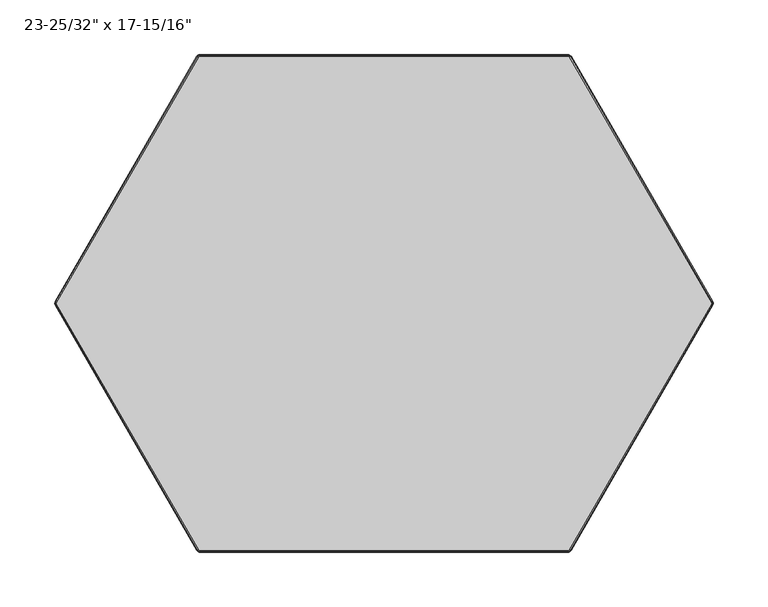
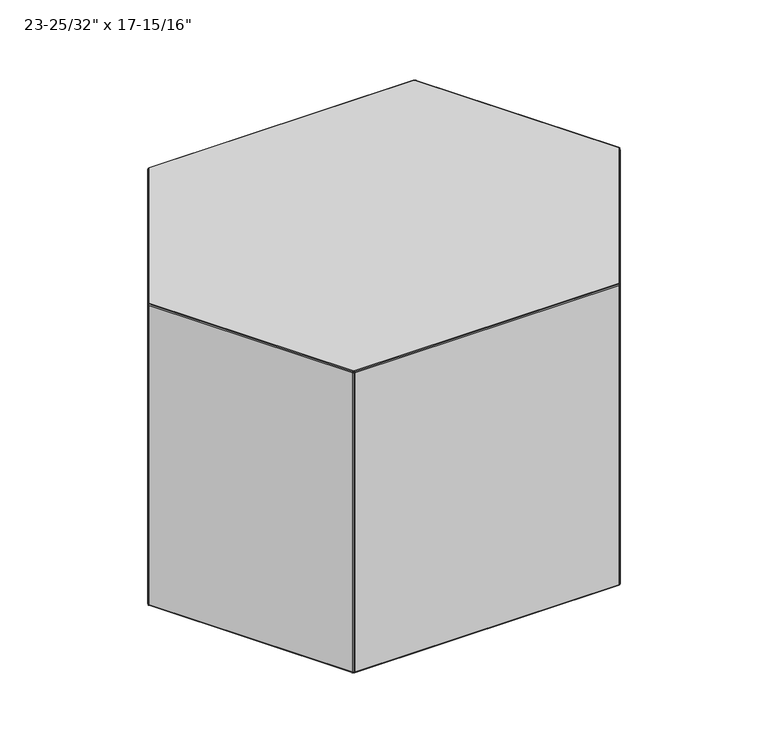
"""IFC4 building model written with IfcOpenShell, lengths in millimetres: furniture geometry."""

import ifcopenshell
import ifcopenshell.guid

model = None  # the IFC model being written
_history = None  # IfcOwnerHistory: only IFC2X3 demands one
_inside = {}  # id of a spatial element -> (the spatial element, [elements in it])
_under = {}  # id of a project, library or spatial element -> (it, [spatial elements below it])
_declared = {}  # id of a project -> (the project, [libraries it declares])
_typed = {}  # id of a type object -> (the type object, [elements of that type])
_made_of = {}  # id of a material, layer set ... -> (it, [elements and type objects made of it])


def new_model(schema):
    """Start an empty IFC model of exactly this schema.

    Asked for "IFC4X3", IfcOpenShell would pick the latest addendum, in which some entities
    have other attributes; the version numbers below select the first issue.
    IFC2X3 requires an IfcOwnerHistory on every rooted entity: one is made here for all.
    """
    global model, _history
    if schema == "IFC4X3":
        model = ifcopenshell.file(schema_version=(4, 3, 0, 0))
    else:
        model = ifcopenshell.file(schema=schema)
    _inside.clear()
    _under.clear()
    _declared.clear()
    _typed.clear()
    _made_of.clear()
    _history = None
    if model.schema == "IFC2X3":
        org = make("IfcOrganization", Name="unknown")
        user = make(
            "IfcPersonAndOrganization",
            ThePerson=make("IfcPerson", FamilyName="unknown"),
            TheOrganization=org,
        )
        app = make(
            "IfcApplication",
            ApplicationDeveloper=org,
            Version="unknown",
            ApplicationFullName="unknown",
            ApplicationIdentifier="unknown",
        )
        _history = make(
            "IfcOwnerHistory",
            OwningUser=user,
            OwningApplication=app,
            ChangeAction="ADDED",
            CreationDate=0,
        )
    return model


def make(cls, **values):
    """One entity of the class cls with the attributes given. An attribute that is None is left unset."""
    return model.create_entity(
        cls, **{name: value for name, value in values.items() if value is not None}
    )


def rooted(cls, **values):
    """An entity with a GlobalId (a new one), such as an element, a storey or a relation."""
    return make(cls, GlobalId=ifcopenshell.guid.new(), OwnerHistory=_history, **values)


def si_unit(unit_type, name, prefix=None):
    """IfcSIUnit, for example si_unit("LENGTHUNIT", "METRE", prefix="MILLI")."""
    return make("IfcSIUnit", UnitType=unit_type, Prefix=prefix, Name=name)


def assignment(units):
    """IfcUnitAssignment: the units of a project."""
    return None if units is None else make("IfcUnitAssignment", Units=units)


def point(xyz):
    """IfcCartesianPoint."""
    return None if xyz is None else make("IfcCartesianPoint", Coordinates=xyz)


def direction(xyz):
    """IfcDirection."""
    return None if xyz is None else make("IfcDirection", DirectionRatios=xyz)


def frame(location, z_axis=None, x_axis=None):
    """IfcAxis2Placement3D, a coordinate frame: its origin and axes. An axis left out is left unset."""
    return make(
        "IfcAxis2Placement3D",
        Location=point(location),
        Axis=direction(z_axis),
        RefDirection=direction(x_axis),
    )


def origin():
    """The frame at (0, 0, 0) with its axes left unset."""
    return frame((0.0, 0.0, 0.0))


def place(relative_to, where):
    """IfcLocalPlacement: puts the frame where relative to a parent placement (None: the world)."""
    return make(
        "IfcLocalPlacement", PlacementRelTo=relative_to, RelativePlacement=where
    )


def context(
    kind, dimensions, precision=None, world=None, true_north=None, identifier=None
):
    """IfcGeometricRepresentationContext, for example the 3D "Model" context."""
    return make(
        "IfcGeometricRepresentationContext",
        ContextIdentifier=identifier,
        ContextType=kind,
        CoordinateSpaceDimension=dimensions,
        Precision=precision,
        WorldCoordinateSystem=world,
        TrueNorth=true_north,
    )


def project(units=None, contexts=None):
    """IfcProject with its units and contexts."""
    return rooted(
        "IfcProject",
        Name="project",
        RepresentationContexts=contexts,
        UnitsInContext=assignment(units),
    )


def spatial(cls, under=None, at=None, **own):
    """A site, building, storey or space (cls), placed at a placement, below another one or the project."""
    s = rooted(cls, ObjectPlacement=at, **own)
    if under is not None:
        _under.setdefault(under.id(), (under, []))[1].append(s)
    return s


def point_list(points):
    """IfcCartesianPointList2D or 3D."""
    cls = (
        "IfcCartesianPointList2D" if len(points[0]) == 2 else "IfcCartesianPointList3D"
    )
    return make(cls, CoordList=points)


def triangles(points, corners, closed=None, point_numbers=None):
    """IfcTriangulatedFaceSet: each triangle names its three corners, points numbered from 1."""
    return make(
        "IfcTriangulatedFaceSet",
        Coordinates=point_list(points),
        Closed=closed,
        CoordIndex=corners,
        PnIndex=point_numbers,
    )


def shape(context_of_items, identifier, shape_type, items):
    """IfcShapeRepresentation: the items that make up one representation, for example the "Body"."""
    return make(
        "IfcShapeRepresentation",
        ContextOfItems=context_of_items,
        RepresentationIdentifier=identifier,
        RepresentationType=shape_type,
        Items=items,
    )


def source(mapping_origin, context_of_items, identifier, shape_type, items):
    """IfcRepresentationMap: a shape defined once, which mapped items show again and again."""
    return make(
        "IfcRepresentationMap",
        MappingOrigin=mapping_origin,
        MappedRepresentation=shape(context_of_items, identifier, shape_type, items),
    )


def transform(
    local_origin,
    x_axis=None,
    y_axis=None,
    z_axis=None,
    scale=None,
    scale2=None,
    scale3=None,
    uniform=True,
):
    """IfcCartesianTransformationOperator3D, or its non-uniform kind. x_axis, y_axis, z_axis: its Axis1, 2, 3."""
    if uniform:
        return make(
            "IfcCartesianTransformationOperator3D",
            Axis1=direction(x_axis),
            Axis2=direction(y_axis),
            LocalOrigin=point(local_origin),
            Scale=scale,
            Axis3=direction(z_axis),
        )
    return make(
        "IfcCartesianTransformationOperator3DnonUniform",
        Axis1=direction(x_axis),
        Axis2=direction(y_axis),
        LocalOrigin=point(local_origin),
        Scale=scale,
        Axis3=direction(z_axis),
        Scale2=scale2,
        Scale3=scale3,
    )


def mapped(mapping_source, mapping_target):
    """IfcMappedItem: shows the shape of a source again, moved by a transform."""
    return make(
        "IfcMappedItem", MappingSource=mapping_source, MappingTarget=mapping_target
    )


def made_of(thing, what):
    """Note that an element or type object is made of a material, layer set ...; save() writes the relation."""
    if what is not None:
        _made_of.setdefault(what.id(), (what, []))[1].append(thing)
    return thing


def element(
    cls,
    number,
    at=None,
    inside=None,
    cuts=None,
    type_object=None,
    material=None,
    context=None,
    identifier="Body",
    shape_type=None,
    held_by="IfcProductDefinitionShape",
    body=None,
    shapes=None,
    **own,
):
    """One element of the class cls, such as IfcWall. Its Tag is "e" and its number.

    at: its placement. inside: the storey or other place that contains it. cuts: it is an
    opening in that element (IfcRelVoidsElement). A single representation is given by context,
    identifier, shape_type and body (its items); several are given by shapes. held_by: the class
    of the entity that holds the representations. save() writes the other relations.
    """
    e = rooted(cls, Tag="e%d" % number, ObjectPlacement=at, **own)
    if body is not None:
        shapes = [shape(context, identifier, shape_type, body)]
    if shapes is not None:
        e.Representation = make(held_by, Representations=shapes)
    if inside is not None:
        _inside.setdefault(inside.id(), (inside, []))[1].append(e)
    if cuts is not None:
        rooted(
            "IfcRelVoidsElement", RelatingBuildingElement=cuts, RelatedOpeningElement=e
        )
    if type_object is not None:
        _typed.setdefault(type_object.id(), (type_object, []))[1].append(e)
    return made_of(e, material)


def aggregate(whole, parts):
    """IfcRelAggregates: a whole, such as a stair, and the parts it consists of."""
    return rooted("IfcRelAggregates", RelatingObject=whole, RelatedObjects=parts)


def save(model, path):
    """Write the relations noted so far, then the file.

    IfcRelAggregates (storeys below a building ...), IfcRelContainedInSpatialStructure (elements
    in a storey), IfcRelDefinesByType, IfcRelAssociatesMaterial and IfcRelDeclares: one each for
    every whole, place, type object, material and project.
    """
    for whole, parts in _under.values():
        aggregate(whole, parts)
    for where, things in _inside.values():
        rooted(
            "IfcRelContainedInSpatialStructure",
            RelatedElements=things,
            RelatingStructure=where,
        )
    for kind, things in _typed.values():
        rooted("IfcRelDefinesByType", RelatedObjects=things, RelatingType=kind)
    for what, things in _made_of.values():
        rooted("IfcRelAssociatesMaterial", RelatedObjects=things, RelatingMaterial=what)
    for by, libraries in _declared.values():
        rooted("IfcRelDeclares", RelatingContext=by, RelatedDefinitions=libraries)
    model.write(path)


def furniture_5cee78ca(model_context):
    return source(origin(), model_context, "Body", "Tessellation", [
        triangles([(300.7749005, 1.558774, 1.9070146), (170.9583149, 226.4078373, 1.9070146), (170.9583149, 226.4078373, 405.982196), (300.7749005, 1.558774, 405.982196), (168.2583162, 227.9666811, 1.9070145), (-168.8955048, 227.9667719, 1.9070146), (-168.8955048, 227.9667719, 405.982196), (168.2583162, 227.9666811, 405.982196), (-171.5955216, 226.4079281, 1.9070145), (-301.4121981, 1.5588948, 1.9070145), (-301.4121981, 1.5588948, 405.982196), (-171.5955216, 226.4079281, 405.982196), (-301.4121981, -1.5587967, 1.9070145), (-171.5955943, -226.4078373, 1.9070146), (-171.5955943, -226.4078373, 405.982196), (-301.4121981, -1.5587968, 405.982196), (-168.8955956, -227.9666811, 1.9070145), (168.258189, -227.9667719, 1.9070145), (168.258189, -227.9667719, 405.982196), (-168.8955956, -227.9666811, 405.982196), (170.9581877, -226.4079281, 1.9070146), (300.7749005, -1.5589175, 1.9070146), (300.7749005, -1.5589175, 405.982196), (170.9581877, -226.4079281, 405.982196), (169.0189529, -226.1667728, 0.0), (-169.6563595, -226.166682, 0.0), (-300.2337453, 4.87e-05, 0.0), (-169.6562686, 226.1667728, 0.0), (169.0190801, 226.166682, 0.0), (299.5964659, -7.14e-05, 0.0), (299.5964659, -7.14e-05, 407.8892017), (169.0190801, 226.166682, 407.8892017), (-169.6562686, 226.1667728, 407.8892017), (-300.2337453, 4.88e-05, 407.8892017), (-169.6563595, -226.166682, 407.8892017), (169.0189529, -226.1667728, 407.8892017), (300.9777042, 0.3376472, 0.8343188), (300.4106967, 1.2896373, 0.4767537), (169.6297804, 227.2243572, 0.4767537), (170.4734971, 226.3475575, 0.4767537), (-170.2669327, 227.2244844, 0.4767537), (-169.0857184, 227.5167631, 0.4767537), (-301.4550734, 4.33e-05, 0.4767536), (-301.117594, 1.1691832, 0.4767536), (-170.2670235, -227.2243936, 0.4767537), (-171.1107765, -226.3475575, 0.4767537), (170.0020324, -227.194181, 0.8343188), (170.5430059, -226.2270525, 0.4767537), (301.0213607, 0.3223533, 407.054914), (301.2249094, -7.18e-05, 405.982196), (169.4523022, 227.5619093, 407.054914), (169.8333109, 227.5769701, 405.982196), (-170.6479596, 227.2395452, 407.054914), (-170.4705176, 227.577061, 405.982196), (-301.658622, -0.3223763, 407.054914), (-301.8621888, 4.88e-05, 405.982196), (-170.0895816, -227.5619093, 407.054914), (-170.4705903, -227.5769701, 405.982196), (170.0106438, -227.2395452, 407.054914), (169.8332019, -227.577061, 405.982196), (169.8333472, 227.5769156, 1.9070146), (170.4734971, 226.3475575, 407.412523), (300.4106967, 1.2896373, 407.4124866), (301.2249094, -7.18e-05, 1.9070146), (168.4485117, 227.5166722, 0.4767536), (-170.4705176, 227.577061, 1.9070146), (-169.0857184, 227.5167631, 407.412523), (168.309276, 227.5166722, 407.4124866), (-171.1107038, 226.3476484, 0.4767536), (-301.8621888, 4.15e-05, 1.9070145), (-301.117594, 1.1691833, 407.412523), (-171.1803217, 226.2270525, 407.4124866), (-301.117594, -1.1690854, 0.4767536), (-170.4705903, -227.5769701, 1.9070146), (-171.1107765, -226.3475575, 407.412523), (-301.0479761, -1.28966, 407.4124866), (-169.0857911, -227.5166722, 0.4767536), (168.3439578, -227.4565015, 0.4767536), (169.8332019, -227.577061, 1.9070145), (168.4483845, -227.5167631, 407.4124866), (-168.9465554, -227.5166722, 407.4124866), (300.3758878, -1.2295027, 0.4767537), (300.4803145, -1.169206, 407.412523), (170.5430059, -226.2270525, 407.4124866)], [[1, 2, 3], [1, 3, 4], [5, 6, 7], [5, 7, 8], [9, 10, 11], [9, 11, 12], [13, 14, 15], [13, 15, 16], [17, 18, 19], [17, 19, 20], [21, 22, 23], [21, 23, 24], [25, 26, 27], [25, 27, 28], [25, 28, 29], [25, 29, 30], [31, 32, 33], [31, 33, 34], [31, 34, 35], [31, 35, 36], [1, 37, 38], [29, 39, 40], [28, 41, 42], [27, 43, 44], [26, 45, 46], [21, 47, 48], [4, 49, 50], [8, 51, 52], [12, 53, 54], [16, 55, 56], [20, 57, 58], [24, 59, 60], [1, 38, 40], [1, 40, 2], [2, 61, 52], [2, 52, 3], [3, 62, 63], [3, 63, 4], [4, 50, 64], [4, 64, 1], [5, 65, 42], [5, 42, 6], [6, 66, 54], [6, 54, 7], [7, 67, 68], [7, 68, 8], [9, 69, 44], [9, 44, 10], [10, 70, 56], [10, 56, 11], [11, 71, 72], [11, 72, 12], [13, 73, 46], [13, 46, 14], [14, 74, 58], [14, 58, 15], [15, 75, 76], [15, 76, 16], [17, 77, 78], [17, 78, 18], [18, 79, 60], [18, 60, 19], [19, 80, 81], [19, 81, 20], [21, 48, 82], [21, 82, 22], [23, 83, 84], [23, 84, 24], [1, 64, 37], [64, 22, 82], [64, 82, 37], [37, 82, 30], [37, 30, 38], [29, 65, 39], [65, 5, 61], [65, 61, 39], [39, 61, 2], [39, 2, 40], [28, 69, 41], [69, 9, 66], [69, 66, 41], [41, 66, 6], [41, 6, 42], [27, 73, 43], [73, 13, 70], [73, 70, 43], [43, 70, 10], [43, 10, 44], [26, 77, 45], [77, 17, 74], [77, 74, 45], [45, 74, 14], [45, 14, 46], [21, 79, 47], [79, 18, 78], [79, 78, 47], [47, 78, 25], [47, 25, 48], [4, 63, 49], [63, 31, 83], [63, 83, 49], [49, 83, 23], [49, 23, 50], [8, 68, 51], [68, 32, 62], [68, 62, 51], [51, 62, 3], [51, 3, 52], [12, 72, 53], [72, 33, 67], [72, 67, 53], [53, 67, 7], [53, 7, 54], [16, 76, 55], [76, 34, 71], [76, 71, 55], [55, 71, 11], [55, 11, 56], [20, 81, 57], [81, 35, 75], [81, 75, 57], [57, 75, 15], [57, 15, 58], [24, 84, 59], [84, 36, 80], [84, 80, 59], [59, 80, 19], [59, 19, 60], [38, 30, 29], [38, 29, 40], [61, 5, 8], [61, 8, 52], [62, 32, 31], [62, 31, 63], [50, 23, 22], [50, 22, 64], [65, 29, 28], [65, 28, 42], [66, 9, 12], [66, 12, 54], [67, 33, 32], [67, 32, 68], [69, 28, 27], [69, 27, 44], [70, 13, 16], [70, 16, 56], [71, 34, 33], [71, 33, 72], [73, 27, 26], [73, 26, 46], [74, 17, 20], [74, 20, 58], [75, 35, 34], [75, 34, 76], [77, 26, 25], [77, 25, 78], [79, 21, 24], [79, 24, 60], [80, 36, 35], [80, 35, 81], [48, 25, 30], [48, 30, 82], [83, 31, 36], [83, 36, 84]]),
    ])


if __name__ == "__main__":
    model = new_model("IFC4")
    model_context = context("Model", 3, world=origin())
    ifc_project = project(units=[si_unit("LENGTHUNIT", "METRE", prefix="MILLI")], contexts=[model_context])
    site = spatial("IfcSite", under=ifc_project)
    building = spatial("IfcBuilding", under=site)
    placement = place(None, origin())
    furniture_shape = furniture_5cee78ca(model_context)
    element("IfcFurniture", 1, ObjectType="23-25/32\" x 17-15/16\"", at=placement, inside=building, context=model_context, shape_type="MappedRepresentation", body=[
        mapped(furniture_shape, transform((0.0, 0.0, 0.0), x_axis=(1.0, 0.0, 0.0), y_axis=(0.0, 1.0, 0.0), z_axis=(0.0, 0.0, 1.0))),
    ])
    save(model, "model.ifc")
